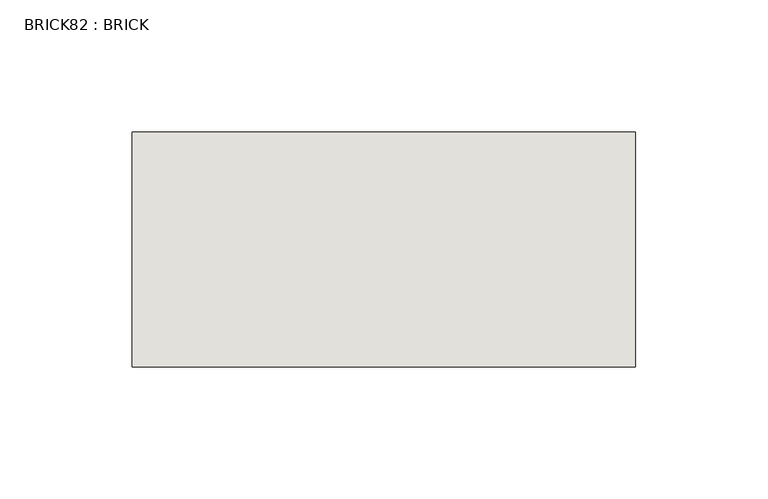
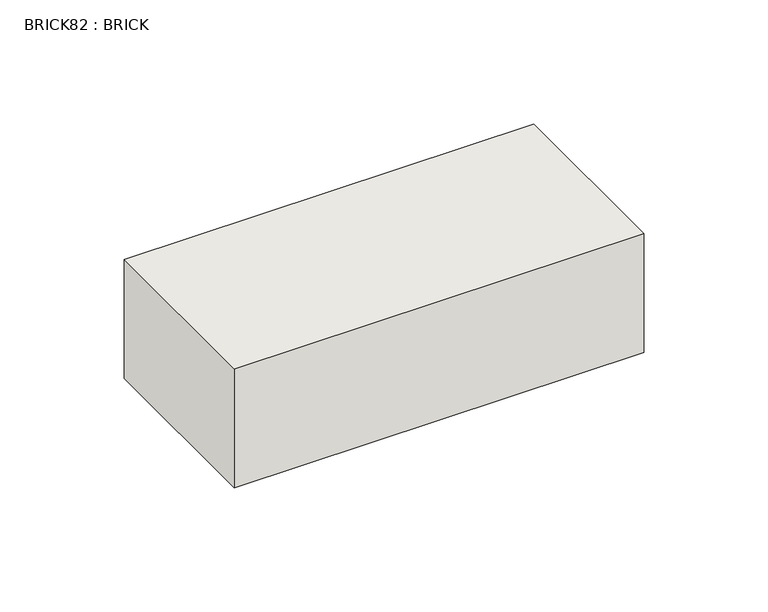
"""IFC4 building model written with IfcOpenShell, lengths in millimetres: wall geometry, BRICK82 : BRICK."""

from ifc_helpers import new_model, si_unit, frame, origin, place, context, project, spatial, polyline, outline, extrude, source, transform, mapped, element, save


def brick82_brick_96b79b40(model_context):
    return source(origin(), model_context, "Body", "SweptSolid", [
        extrude(outline(polyline([(1444.4530711, 2586.2274125), (1634.9530711, 2586.2274125), (1634.9530711, 2497.3274125), (1444.4530711, 2497.3274125), (1444.4530711, 2586.2274125)])), frame((0.0, 0.0, 74.3148438), z_axis=(0.0, 0.0, 1.0), x_axis=(1.0, 0.0, 0.0)), (0.0, 0.0, 1.0), 58.4398437),
    ])


if __name__ == "__main__":
    model = new_model("IFC4")
    model_context = context("Model", 3, world=origin())
    ifc_project = project(units=[si_unit("LENGTHUNIT", "METRE", prefix="MILLI")], contexts=[model_context])
    site = spatial("IfcSite", under=ifc_project)
    building = spatial("IfcBuilding", under=site)
    placement = place(None, origin())
    brick82_brick_shape = brick82_brick_96b79b40(model_context)
    element("IfcWall", 1, ObjectType="BRICK82 : BRICK", at=placement, inside=building, context=model_context, shape_type="MappedRepresentation", body=[
        mapped(brick82_brick_shape, transform((0.0, 0.0, 0.0), x_axis=(1.0, 0.0, 0.0), y_axis=(0.0, 1.0, 0.0), z_axis=(0.0, 0.0, 1.0))),
    ])
    save(model, "model.ifc")
